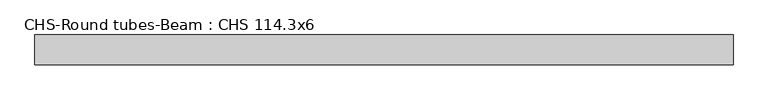
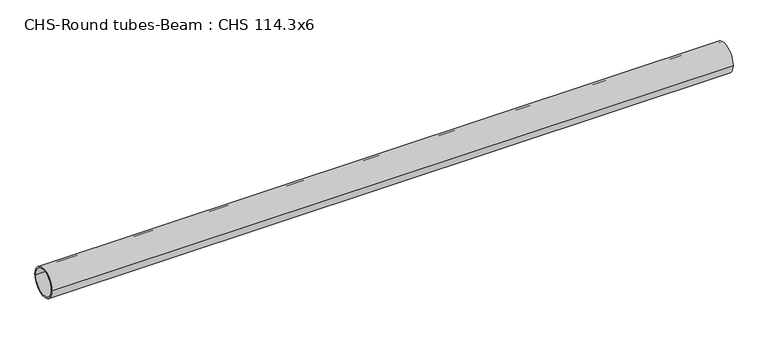
"""IFC4 building model written with IfcOpenShell, lengths in millimetres: beam geometry, CHS-Round tubes-Beam : CHS 114.3x6."""

from ifc_helpers import new_model, si_unit, point, frame, origin, origin_2d, place, context, project, spatial, circle_curve, trimmed, segment, composite_curve, outline, extrude, source, transform, mapped, element, save


def chs_round_tubes_beam_chs_114_3x6_0d227e02(model_context):
    return source(origin(), model_context, "Body", "SweptSolid", [
        extrude(outline(composite_curve([segment(trimmed(circle_curve(origin_2d(), 57.15), [point((57.15, 0.0))], [point((-57.15, 0.0))], False, "CARTESIAN"), True, "CONTINUOUS"), segment(trimmed(circle_curve(origin_2d(), 57.15), [point((-57.15, 0.0))], [point((57.15, 0.0))], False, "CARTESIAN"), True, "CONTINUOUS")], self_intersect=False), holes=[composite_curve([segment(trimmed(circle_curve(origin_2d(), 51.15), [point((51.15, 0.0))], [point((-51.15, 0.0))], True, "CARTESIAN"), True, "CONTINUOUS"), segment(trimmed(circle_curve(origin_2d(), 51.15), [point((-51.15, 0.0))], [point((51.15, 0.0))], True, "CARTESIAN"), True, "CONTINUOUS")], self_intersect=False)]), frame((-1297.1858838, 0.0, 0.0), z_axis=(1.0, 0.0, 0.0), x_axis=(0.0, 1.0, 0.0)), (0.0, 0.0, 1.0), 2652.4543252),
    ])


if __name__ == "__main__":
    model = new_model("IFC4")
    model_context = context("Model", 3, world=origin())
    ifc_project = project(units=[si_unit("LENGTHUNIT", "METRE", prefix="MILLI")], contexts=[model_context])
    site = spatial("IfcSite", under=ifc_project)
    building = spatial("IfcBuilding", under=site)
    placement = place(None, origin())
    chs_round_tubes_beam_chs_114_3x6_shape = chs_round_tubes_beam_chs_114_3x6_0d227e02(model_context)
    element("IfcBeam", 1, ObjectType="CHS-Round tubes-Beam : CHS 114.3x6", at=placement, inside=building, context=model_context, shape_type="MappedRepresentation", body=[
        mapped(chs_round_tubes_beam_chs_114_3x6_shape, transform((0.0, 0.0, 0.0), x_axis=(1.0, 0.0, 0.0), y_axis=(0.0, 1.0, 0.0), z_axis=(0.0, 0.0, 1.0))),
    ])
    save(model, "model.ifc")
